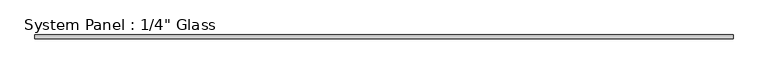
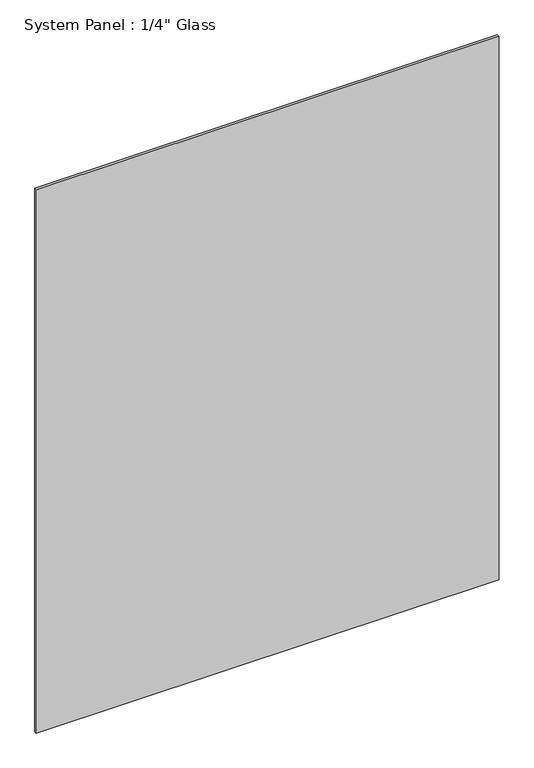
"""IFC4 building model written with IfcOpenShell, lengths in millimetres: plate geometry."""

from ifc_helpers import new_model, si_unit, origin, origin_with_axes, place, context, project, spatial, polyline, outline, extrude, source, transform, mapped, element, save


def plate_38fc393c(model_context):
    return source(origin(), model_context, "Body", "SweptSolid", [
        extrude(outline(polyline([(593.7258852, -3.175), (-593.7258852, -3.175), (-593.7258852, 3.175), (593.7258852, 3.175), (593.7258852, -3.175)])), origin_with_axes(), (0.0, 0.0, 1.0), 1474.3594027),
    ])


if __name__ == "__main__":
    model = new_model("IFC4")
    model_context = context("Model", 3, world=origin())
    ifc_project = project(units=[si_unit("LENGTHUNIT", "METRE", prefix="MILLI")], contexts=[model_context])
    site = spatial("IfcSite", under=ifc_project)
    building = spatial("IfcBuilding", under=site)
    placement = place(None, origin())
    plate_shape = plate_38fc393c(model_context)
    element("IfcPlate", 1, ObjectType="System Panel : 1/4\" Glass", at=placement, inside=building, context=model_context, shape_type="MappedRepresentation", body=[
        mapped(plate_shape, transform((0.0, 0.0, 0.0), x_axis=(1.0, 0.0, 0.0), y_axis=(0.0, 1.0, 0.0), z_axis=(0.0, 0.0, 1.0))),
    ])
    save(model, "model.ifc")
